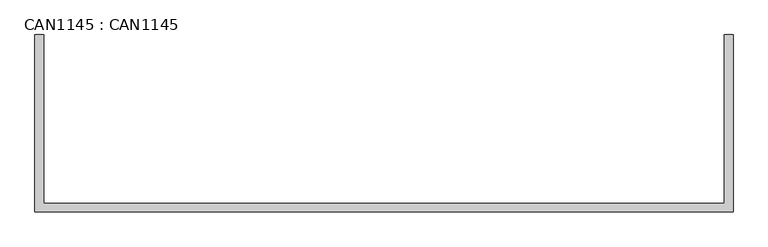
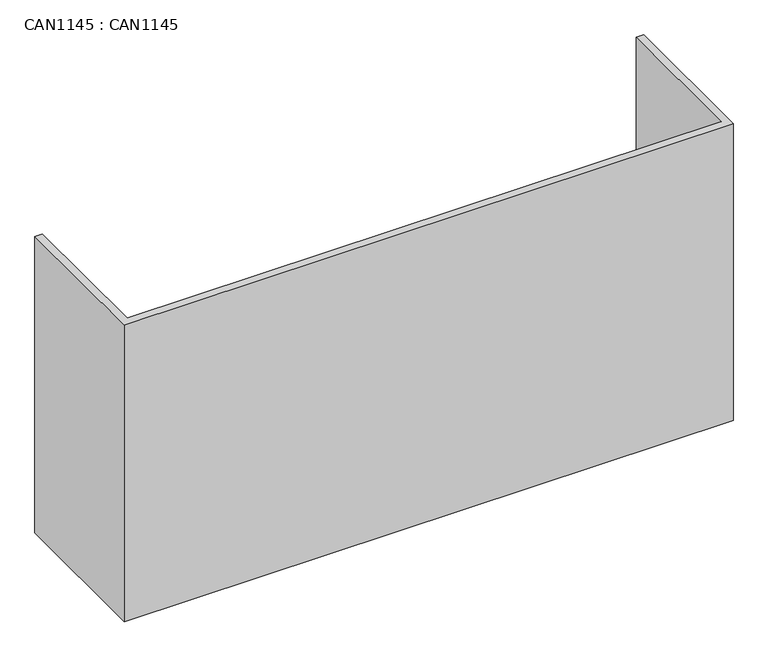
"""IFC4 building model written with IfcOpenShell, lengths in millimetres: proxy geometry, CAN1145 : CAN1145."""

from ifc_helpers import new_model, si_unit, origin, origin_with_axes, place, context, project, spatial, polyline, outline, extrude, source, transform, mapped, element, save


def can1145_can1145_dd1f56f0(model_context):
    return source(origin(), model_context, "Body", "SweptSolid", [
        extrude(outline(polyline([(9.0, 0.0), (9.0, -352.0), (1428.0, -352.0), (1428.0, 0.0), (1446.0, 0.0), (1446.0, -370.0), (-9.0, -370.0), (-9.0, 0.0), (9.0, 0.0)])), origin_with_axes(), (0.0, 0.0, 1.0), 750.0),
    ])


if __name__ == "__main__":
    model = new_model("IFC4")
    model_context = context("Model", 3, world=origin())
    ifc_project = project(units=[si_unit("LENGTHUNIT", "METRE", prefix="MILLI")], contexts=[model_context])
    site = spatial("IfcSite", under=ifc_project)
    building = spatial("IfcBuilding", under=site)
    placement = place(None, origin())
    can1145_can1145_shape = can1145_can1145_dd1f56f0(model_context)
    element("IfcBuildingElementProxy", 1, Name="CAN1145 : CAN1145", ObjectType="CAN1145 : CAN1145", at=placement, inside=building, context=model_context, shape_type="MappedRepresentation", body=[
        mapped(can1145_can1145_shape, transform((0.0, 0.0, 0.0), x_axis=(1.0, 0.0, 0.0), y_axis=(0.0, 1.0, 0.0), z_axis=(0.0, 0.0, 1.0))),
    ])
    save(model, "model.ifc")
